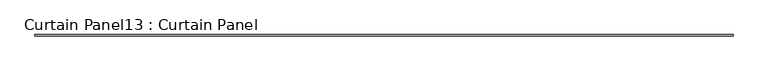
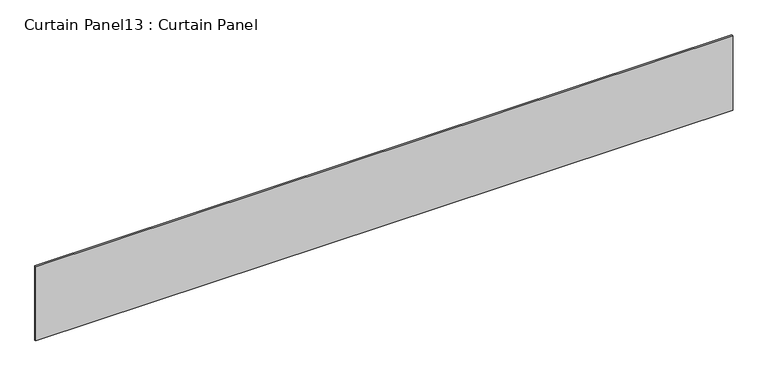
"""IFC4 building model written with IfcOpenShell, lengths in millimetres: plate geometry, Curtain Panel13 : Curtain Panel."""

from ifc_helpers import new_model, si_unit, frame, origin, place, context, project, spatial, polyline, outline, extrude, source, transform, mapped, element, save


def curtain_panel13_curtain_panel_b7533ab2(model_context):
    return source(origin(), model_context, "Body", "SweptSolid", [
        extrude(outline(polyline([(483870.9315581, 2929.5784455), (480822.9315581, 2929.5784455), (480822.9315581, 2935.9284455), (483870.9315581, 2935.9284455), (483870.9315581, 2929.5784455)])), frame((0.0, 0.0, 3178.1676964), z_axis=(0.0, 0.0, 1.0), x_axis=(1.0, 0.0, 0.0)), (0.0, 0.0, 1.0), 343.3313469),
    ])


if __name__ == "__main__":
    model = new_model("IFC4")
    model_context = context("Model", 3, world=origin())
    ifc_project = project(units=[si_unit("LENGTHUNIT", "METRE", prefix="MILLI")], contexts=[model_context])
    site = spatial("IfcSite", under=ifc_project)
    building = spatial("IfcBuilding", under=site)
    placement = place(None, origin())
    curtain_panel13_curtain_panel_shape = curtain_panel13_curtain_panel_b7533ab2(model_context)
    element("IfcPlate", 1, ObjectType="Curtain Panel13 : Curtain Panel", at=placement, inside=building, context=model_context, shape_type="MappedRepresentation", body=[
        mapped(curtain_panel13_curtain_panel_shape, transform((0.0, 0.0, 0.0), x_axis=(1.0, 0.0, 0.0), y_axis=(0.0, 1.0, 0.0), z_axis=(0.0, 0.0, 1.0))),
    ])
    save(model, "model.ifc")
